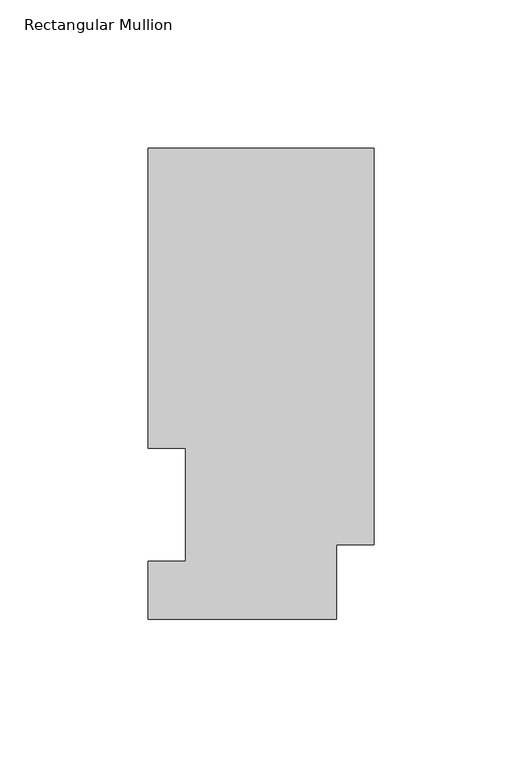
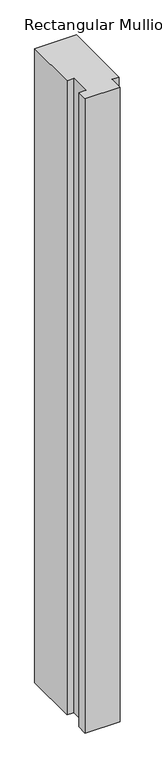
"""IFC4 building model written with IfcOpenShell, lengths in millimetres: member geometry, Rectangular Mullion."""

from ifc_helpers import new_model, si_unit, frame, origin, place, context, project, spatial, polyline, outline, extrude, source, transform, mapped, element, save


def rectangular_mullion_fa216e0f(model_context):
    return source(origin(), model_context, "Body", "SweptSolid", [
        extrude(outline(polyline([(0.0, 158.8396938), (0.0, 25.0832937), (-12.7, 25.0832937), (-12.7, 0.0134938), (-76.2, 0.0134938), (-76.2, 19.5460938), (-63.5, 19.5460938), (-63.5, 57.6460937), (-76.2, 57.6460937), (-76.2, 158.8396938), (0.0, 158.8396938)])), frame((0.0, 0.0, -1219.2), z_axis=(0.0, 0.0, 1.0), x_axis=(1.0, 0.0, 0.0)), (0.0, 0.0, 1.0), 1219.2),
    ])


if __name__ == "__main__":
    model = new_model("IFC4")
    model_context = context("Model", 3, world=origin())
    ifc_project = project(units=[si_unit("LENGTHUNIT", "METRE", prefix="MILLI")], contexts=[model_context])
    site = spatial("IfcSite", under=ifc_project)
    building = spatial("IfcBuilding", under=site)
    placement = place(None, origin())
    rectangular_mullion_shape = rectangular_mullion_fa216e0f(model_context)
    element("IfcMember", 1, ObjectType="Rectangular Mullion", at=placement, inside=building, context=model_context, shape_type="MappedRepresentation", body=[
        mapped(rectangular_mullion_shape, transform((0.0, 0.0, 0.0), x_axis=(1.0, 0.0, 0.0), y_axis=(0.0, 1.0, 0.0), z_axis=(0.0, 0.0, 1.0))),
    ])
    save(model, "model.ifc")
